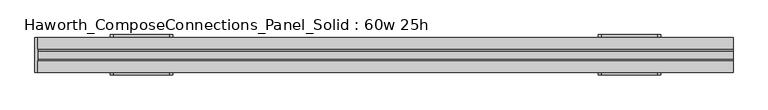
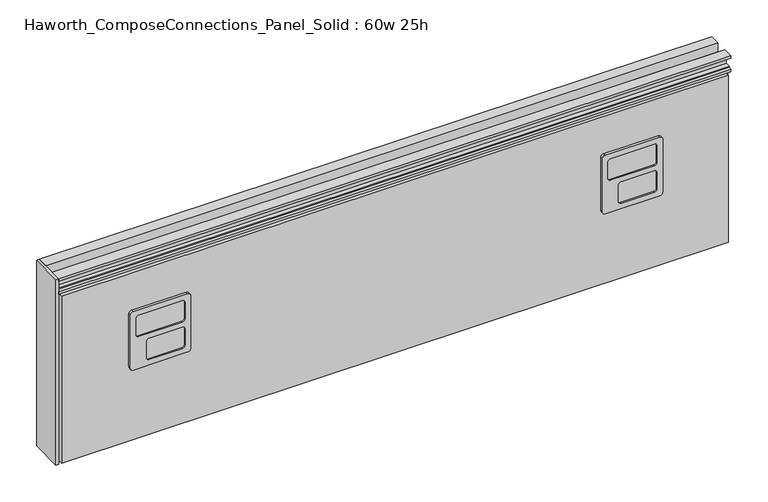
"""IFC4 building model written with IfcOpenShell, lengths in millimetres: furniture geometry, Haworth_ComposeConnections_Panel_Solid : 60w 25h."""

from ifc_helpers import new_model, si_unit, frame, origin, place, context, project, spatial, polyline, circle_curve, outline, extrude, source, transform, mapped, element, save
from ifc_brep_helpers import plane_surface, cylinder_surface, revolved_surface, advanced_brep


def haworth_composeconnections_panel_solid_60w_25h_c1717eb9(model_context):
    return source(origin(), model_context, "Body", "SolidModel", [
        advanced_brep(
        [(-594.4597098, 38.1, 546.1), (-600.8097098, 38.1, 539.75), (-600.8097098, 38.1, 412.75), (-594.4597098, 38.1, 406.4), (-470.6347098, 38.1, 406.4), (-464.2847098, 38.1, 412.75), (-464.2847098, 38.1, 539.75), (-470.6347098, 38.1, 546.1), (-594.4597098, 44.45, 546.1), (-470.6347098, 44.45, 546.1), (-464.2847098, 44.45, 539.75), (-464.2847098, 44.45, 412.75), (-470.6347098, 44.45, 406.4), (-594.4597098, 44.45, 406.4), (-600.8097098, 44.45, 412.75), (-600.8097098, 44.45, 539.75), (-581.7597098, 44.45, 533.4), (-588.1097098, 44.45, 527.05), (-588.1097098, 44.45, 488.95), (-581.7597098, 44.45, 482.6), (-483.3347098, 44.45, 482.6), (-476.9847098, 44.45, 488.95), (-476.9847098, 44.45, 527.05), (-483.3347098, 44.45, 533.4), (-581.7597098, 44.45, 469.9), (-588.1097098, 44.45, 463.55), (-588.1097098, 44.45, 425.45), (-581.7597098, 44.45, 419.1), (-507.1472098, 44.45, 419.1), (-500.7972098, 44.45, 425.45), (-500.7972098, 44.45, 463.55), (-507.1472098, 44.45, 469.9), (-581.7597098, 41.275, 533.4), (-483.3347098, 41.275, 533.4), (-476.9847098, 41.275, 527.05), (-476.9847098, 41.275, 488.95), (-483.3347098, 41.275, 482.6), (-581.7597098, 41.275, 482.6), (-588.1097098, 41.275, 488.95), (-588.1097098, 41.275, 527.05), (-581.7597098, 41.275, 469.9), (-507.1472098, 41.275, 469.9), (-500.7972098, 41.275, 463.55), (-500.7972098, 41.275, 425.45), (-507.1472098, 41.275, 419.1), (-581.7597098, 41.275, 419.1), (-588.1097098, 41.275, 425.45), (-588.1097098, 41.275, 463.55)],
        [
            (0, 1, circle_curve(frame((-594.4597098, 38.1, 539.75), z_axis=(0.0, -1.0, 0.0), x_axis=(1.0, 0.0, 0.0)), 6.35)),
            (1, 2),
            (2, 3, circle_curve(frame((-594.4597098, 38.1, 412.75), z_axis=(0.0, -1.0, 0.0), x_axis=(1.0, 0.0, 0.0)), 6.35)),
            (3, 4),
            (4, 5, circle_curve(frame((-470.6347098, 38.1, 412.75), z_axis=(0.0, -1.0, 0.0), x_axis=(1.0, 0.0, 0.0)), 6.35)),
            (5, 6),
            (6, 7, circle_curve(frame((-470.6347098, 38.1, 539.75), z_axis=(0.0, -1.0, 0.0), x_axis=(1.0, 0.0, 0.0)), 6.35)),
            (7, 0),
            (8, 9),
            (9, 10, circle_curve(frame((-470.6347098, 44.45, 539.75), z_axis=(0.0, 1.0, 0.0), x_axis=(1.0, 0.0, 0.0)), 6.35)),
            (10, 11),
            (11, 12, circle_curve(frame((-470.6347098, 44.45, 412.75), z_axis=(0.0, 1.0, 0.0), x_axis=(1.0, 0.0, 0.0)), 6.35)),
            (12, 13),
            (13, 14, circle_curve(frame((-594.4597098, 44.45, 412.75), z_axis=(0.0, 1.0, 0.0), x_axis=(1.0, 0.0, 0.0)), 6.35)),
            (14, 15),
            (15, 8, circle_curve(frame((-594.4597098, 44.45, 539.75), z_axis=(0.0, 1.0, 0.0), x_axis=(1.0, 0.0, 0.0)), 6.35)),
            (16, 17, circle_curve(frame((-581.7597098, 44.45, 527.05), z_axis=(0.0, -1.0, 0.0), x_axis=(1.0, 0.0, 0.0)), 6.35)),
            (17, 18),
            (18, 19, circle_curve(frame((-581.7597098, 44.45, 488.95), z_axis=(0.0, -1.0, 0.0), x_axis=(1.0, 0.0, 0.0)), 6.35)),
            (19, 20),
            (20, 21, circle_curve(frame((-483.3347098, 44.45, 488.95), z_axis=(0.0, -1.0, 0.0), x_axis=(1.0, 0.0, 0.0)), 6.35)),
            (21, 22),
            (22, 23, circle_curve(frame((-483.3347098, 44.45, 527.05), z_axis=(0.0, -1.0, 0.0), x_axis=(1.0, 0.0, 0.0)), 6.35)),
            (23, 16),
            (24, 25, circle_curve(frame((-581.7597098, 44.45, 463.55), z_axis=(0.0, -1.0, 0.0), x_axis=(1.0, 0.0, 0.0)), 6.35)),
            (25, 26),
            (26, 27, circle_curve(frame((-581.7597098, 44.45, 425.45), z_axis=(0.0, -1.0, 0.0), x_axis=(1.0, 0.0, 0.0)), 6.35)),
            (27, 28),
            (28, 29, circle_curve(frame((-507.1472098, 44.45, 425.45), z_axis=(0.0, -1.0, 0.0), x_axis=(1.0, 0.0, 0.0)), 6.35)),
            (29, 30),
            (30, 31, circle_curve(frame((-507.1472098, 44.45, 463.55), z_axis=(0.0, -1.0, 0.0), x_axis=(1.0, 0.0, 0.0)), 6.35)),
            (31, 24),
            (0, 8),
            (15, 1),
            (14, 2),
            (13, 3),
            (12, 4),
            (11, 5),
            (10, 6),
            (9, 7),
            (32, 33),
            (33, 34, circle_curve(frame((-483.3347098, 41.275, 527.05), z_axis=(0.0, 1.0, 0.0), x_axis=(1.0, 0.0, 0.0)), 6.35)),
            (34, 35),
            (35, 36, circle_curve(frame((-483.3347098, 41.275, 488.95), z_axis=(0.0, 1.0, 0.0), x_axis=(1.0, 0.0, 0.0)), 6.35)),
            (36, 37),
            (37, 38, circle_curve(frame((-581.7597098, 41.275, 488.95), z_axis=(0.0, 1.0, 0.0), x_axis=(1.0, 0.0, 0.0)), 6.35)),
            (38, 39),
            (39, 32, circle_curve(frame((-581.7597098, 41.275, 527.05), z_axis=(0.0, 1.0, 0.0), x_axis=(1.0, 0.0, 0.0)), 6.35)),
            (40, 41),
            (41, 42, circle_curve(frame((-507.1472098, 41.275, 463.55), z_axis=(0.0, 1.0, 0.0), x_axis=(1.0, 0.0, 0.0)), 6.35)),
            (42, 43),
            (43, 44, circle_curve(frame((-507.1472098, 41.275, 425.45), z_axis=(0.0, 1.0, 0.0), x_axis=(1.0, 0.0, 0.0)), 6.35)),
            (44, 45),
            (45, 46, circle_curve(frame((-581.7597098, 41.275, 425.45), z_axis=(0.0, 1.0, 0.0), x_axis=(1.0, 0.0, 0.0)), 6.35)),
            (46, 47),
            (47, 40, circle_curve(frame((-581.7597098, 41.275, 463.55), z_axis=(0.0, 1.0, 0.0), x_axis=(1.0, 0.0, 0.0)), 6.35)),
            (39, 17),
            (16, 32),
            (38, 18),
            (37, 19),
            (36, 20),
            (35, 21),
            (34, 22),
            (33, 23),
            (47, 25),
            (24, 40),
            (46, 26),
            (45, 27),
            (44, 28),
            (43, 29),
            (42, 30),
            (41, 31),
        ],
        [
            plane_surface(frame((-588.1097098, 38.1, 539.75), z_axis=(0.0, -1.0, 0.0), x_axis=(0.0, 0.0, 1.0))),
            plane_surface(frame((-588.1097098, 44.45, 539.75), z_axis=(0.0, 1.0, 0.0), x_axis=(0.0, 0.0, -1.0))),
            cylinder_surface(frame((-594.4597098, 44.45, 539.75), z_axis=(0.0, -1.0, 0.0), x_axis=(1.0, 0.0, 0.0)), 6.35),
            plane_surface(frame((-600.8097098, 38.1, 539.75), z_axis=(-1.0, 0.0, 0.0), x_axis=(0.0, 1.0, 0.0))),
            cylinder_surface(frame((-594.4597098, 44.45, 412.75), z_axis=(0.0, -1.0, 0.0), x_axis=(1.0, 0.0, 0.0)), 6.35),
            plane_surface(frame((-594.4597098, 38.1, 406.4), z_axis=(0.0, 0.0, -1.0), x_axis=(0.0, 1.0, 0.0))),
            cylinder_surface(frame((-470.6347098, 44.45, 412.75), z_axis=(0.0, -1.0, 0.0), x_axis=(1.0, 0.0, 0.0)), 6.35),
            plane_surface(frame((-464.2847098, 38.1, 412.75), z_axis=(1.0, 0.0, 0.0), x_axis=(0.0, 1.0, 0.0))),
            cylinder_surface(frame((-470.6347098, 44.45, 539.75), z_axis=(0.0, -1.0, 0.0), x_axis=(1.0, 0.0, 0.0)), 6.35),
            plane_surface(frame((-470.6347098, 38.1, 546.1), z_axis=(0.0, 0.0, 1.0), x_axis=(0.0, 1.0, 0.0))),
            plane_surface(frame((-575.4097098, 41.275, 527.05), z_axis=(0.0, 1.0, 0.0), x_axis=(0.0, 0.0, 1.0))),
            revolved_surface(polyline([(-575.4097098, 41.275, 527.05), (-575.4097098, 44.45, 527.05)]), (-581.7597098, 44.45, 527.05), (0.0, -1.0, 0.0)),
            plane_surface(frame((-588.1097098, 41.275, 527.05), z_axis=(1.0, 0.0, 0.0), x_axis=(0.0, 1.0, 0.0))),
            revolved_surface(polyline([(-575.4097098, 41.275, 488.95), (-575.4097098, 44.45, 488.95)]), (-581.7597098, 44.45, 488.95), (0.0, -1.0, 0.0)),
            plane_surface(frame((-581.7597098, 41.275, 482.6), z_axis=(0.0, 0.0, 1.0), x_axis=(0.0, 1.0, 0.0))),
            revolved_surface(polyline([(-476.98470979999996, 41.275, 488.95), (-476.98470979999996, 44.45, 488.95)]), (-483.3347098, 44.45, 488.95), (0.0, -1.0, 0.0)),
            plane_surface(frame((-476.9847098, 41.275, 488.95), z_axis=(-1.0, 0.0, 0.0), x_axis=(0.0, 1.0, 0.0))),
            revolved_surface(polyline([(-476.98470979999996, 41.275, 527.05), (-476.98470979999996, 44.45, 527.05)]), (-483.3347098, 44.45, 527.05), (0.0, -1.0, 0.0)),
            plane_surface(frame((-483.3347098, 41.275, 533.4), z_axis=(0.0, 0.0, -1.0), x_axis=(0.0, 1.0, 0.0))),
            revolved_surface(polyline([(-575.4097098, 41.275, 463.55), (-575.4097098, 44.45, 463.55)]), (-581.7597098, 44.45, 463.55), (0.0, -1.0, 0.0)),
            plane_surface(frame((-588.1097098, 41.275, 463.55), z_axis=(1.0, 0.0, 0.0), x_axis=(0.0, 1.0, 0.0))),
            revolved_surface(polyline([(-575.4097098, 41.275, 425.45), (-575.4097098, 44.45, 425.45)]), (-581.7597098, 44.45, 425.45), (0.0, -1.0, 0.0)),
            plane_surface(frame((-581.7597098, 41.275, 419.1), z_axis=(0.0, 0.0, 1.0), x_axis=(0.0, 1.0, 0.0))),
            revolved_surface(polyline([(-500.79720979999996, 41.275, 425.45), (-500.79720979999996, 44.45, 425.45)]), (-507.1472098, 44.45, 425.45), (0.0, -1.0, 0.0)),
            plane_surface(frame((-500.7972098, 41.275, 425.45), z_axis=(-1.0, 0.0, 0.0), x_axis=(0.0, 1.0, 0.0))),
            revolved_surface(polyline([(-500.79720979999996, 41.275, 463.55), (-500.79720979999996, 44.45, 463.55)]), (-507.1472098, 44.45, 463.55), (0.0, -1.0, 0.0)),
            plane_surface(frame((-507.1472098, 41.275, 469.9), z_axis=(0.0, 0.0, -1.0), x_axis=(0.0, 1.0, 0.0))),
        ],
        [
            (0, [[1, 2, 3, 4, 5, 6, 7, 8]]),
            (1, [[9, 10, 11, 12, 13, 14, 15, 16], [17, 18, 19, 20, 21, 22, 23, 24], [25, 26, 27, 28, 29, 30, 31, 32]]),
            (2, [[-1, 33, -16, 34]]),
            (3, [[-2, -34, -15, 35]]),
            (4, [[-3, -35, -14, 36]]),
            (5, [[-4, -36, -13, 37]]),
            (6, [[-5, -37, -12, 38]]),
            (7, [[-6, -38, -11, 39]]),
            (8, [[-7, -39, -10, 40]]),
            (9, [[-8, -40, -9, -33]]),
            (10, [[41, 42, 43, 44, 45, 46, 47, 48]]),
            (10, [[49, 50, 51, 52, 53, 54, 55, 56]]),
            (11, [[-48, 57, -17, 58]]),
            (12, [[-47, 59, -18, -57]]),
            (13, [[-46, 60, -19, -59]]),
            (14, [[-45, 61, -20, -60]]),
            (15, [[-44, 62, -21, -61]]),
            (16, [[-43, 63, -22, -62]]),
            (17, [[-42, 64, -23, -63]]),
            (18, [[-41, -58, -24, -64]]),
            (19, [[-56, 65, -25, 66]]),
            (20, [[-55, 67, -26, -65]]),
            (21, [[-54, 68, -27, -67]]),
            (22, [[-53, 69, -28, -68]]),
            (23, [[-52, 70, -29, -69]]),
            (24, [[-51, 71, -30, -70]]),
            (25, [[-50, 72, -31, -71]]),
            (26, [[-49, -66, -32, -72]]),
        ],
    ),
        advanced_brep(
        [(475.5152902, 38.1, 546.1), (469.1652902, 38.1, 539.75), (469.1652902, 38.1, 412.75), (475.5152902, 38.1, 406.4), (599.3402902, 38.1, 406.4), (605.6902902, 38.1, 412.75), (605.6902902, 38.1, 539.75), (599.3402902, 38.1, 546.1), (475.5152902, 44.45, 546.1), (599.3402902, 44.45, 546.1), (605.6902902, 44.45, 539.75), (605.6902902, 44.45, 412.75), (599.3402902, 44.45, 406.4), (475.5152902, 44.45, 406.4), (469.1652902, 44.45, 412.75), (469.1652902, 44.45, 539.75), (488.2152902, 44.45, 533.4), (481.8652902, 44.45, 527.05), (481.8652902, 44.45, 488.95), (488.2152902, 44.45, 482.6), (586.6402902, 44.45, 482.6), (592.9902902, 44.45, 488.95), (592.9902902, 44.45, 527.05), (586.6402902, 44.45, 533.4), (488.2152902, 44.45, 469.9), (481.8652902, 44.45, 463.55), (481.8652902, 44.45, 425.45), (488.2152902, 44.45, 419.1), (562.8277902, 44.45, 419.1), (569.1777902, 44.45, 425.45), (569.1777902, 44.45, 463.55), (562.8277902, 44.45, 469.9), (488.2152902, 41.275, 533.4), (586.6402902, 41.275, 533.4), (592.9902902, 41.275, 527.05), (592.9902902, 41.275, 488.95), (586.6402902, 41.275, 482.6), (488.2152902, 41.275, 482.6), (481.8652902, 41.275, 488.95), (481.8652902, 41.275, 527.05), (488.2152902, 41.275, 469.9), (562.8277902, 41.275, 469.9), (569.1777902, 41.275, 463.55), (569.1777902, 41.275, 425.45), (562.8277902, 41.275, 419.1), (488.2152902, 41.275, 419.1), (481.8652902, 41.275, 425.45), (481.8652902, 41.275, 463.55)],
        [
            (0, 1, circle_curve(frame((475.5152902, 38.1, 539.75), z_axis=(0.0, -1.0, 0.0), x_axis=(1.0, 0.0, 0.0)), 6.35)),
            (1, 2),
            (2, 3, circle_curve(frame((475.5152902, 38.1, 412.75), z_axis=(0.0, -1.0, 0.0), x_axis=(1.0, 0.0, 0.0)), 6.35)),
            (3, 4),
            (4, 5, circle_curve(frame((599.3402902, 38.1, 412.75), z_axis=(0.0, -1.0, 0.0), x_axis=(1.0, 0.0, 0.0)), 6.35)),
            (5, 6),
            (6, 7, circle_curve(frame((599.3402902, 38.1, 539.75), z_axis=(0.0, -1.0, 0.0), x_axis=(1.0, 0.0, 0.0)), 6.35)),
            (7, 0),
            (8, 9),
            (9, 10, circle_curve(frame((599.3402902, 44.45, 539.75), z_axis=(0.0, 1.0, 0.0), x_axis=(1.0, 0.0, 0.0)), 6.35)),
            (10, 11),
            (11, 12, circle_curve(frame((599.3402902, 44.45, 412.75), z_axis=(0.0, 1.0, 0.0), x_axis=(1.0, 0.0, 0.0)), 6.35)),
            (12, 13),
            (13, 14, circle_curve(frame((475.5152902, 44.45, 412.75), z_axis=(0.0, 1.0, 0.0), x_axis=(1.0, 0.0, 0.0)), 6.35)),
            (14, 15),
            (15, 8, circle_curve(frame((475.5152902, 44.45, 539.75), z_axis=(0.0, 1.0, 0.0), x_axis=(1.0, 0.0, 0.0)), 6.35)),
            (16, 17, circle_curve(frame((488.2152902, 44.45, 527.05), z_axis=(0.0, -1.0, 0.0), x_axis=(1.0, 0.0, 0.0)), 6.35)),
            (17, 18),
            (18, 19, circle_curve(frame((488.2152902, 44.45, 488.95), z_axis=(0.0, -1.0, 0.0), x_axis=(1.0, 0.0, 0.0)), 6.35)),
            (19, 20),
            (20, 21, circle_curve(frame((586.6402902, 44.45, 488.95), z_axis=(0.0, -1.0, 0.0), x_axis=(1.0, 0.0, 0.0)), 6.35)),
            (21, 22),
            (22, 23, circle_curve(frame((586.6402902, 44.45, 527.05), z_axis=(0.0, -1.0, 0.0), x_axis=(1.0, 0.0, 0.0)), 6.35)),
            (23, 16),
            (24, 25, circle_curve(frame((488.2152902, 44.45, 463.55), z_axis=(0.0, -1.0, 0.0), x_axis=(1.0, 0.0, 0.0)), 6.35)),
            (25, 26),
            (26, 27, circle_curve(frame((488.2152902, 44.45, 425.45), z_axis=(0.0, -1.0, 0.0), x_axis=(1.0, 0.0, 0.0)), 6.35)),
            (27, 28),
            (28, 29, circle_curve(frame((562.8277902, 44.45, 425.45), z_axis=(0.0, -1.0, 0.0), x_axis=(1.0, 0.0, 0.0)), 6.35)),
            (29, 30),
            (30, 31, circle_curve(frame((562.8277902, 44.45, 463.55), z_axis=(0.0, -1.0, 0.0), x_axis=(1.0, 0.0, 0.0)), 6.35)),
            (31, 24),
            (0, 8),
            (15, 1),
            (14, 2),
            (13, 3),
            (12, 4),
            (11, 5),
            (10, 6),
            (9, 7),
            (32, 33),
            (33, 34, circle_curve(frame((586.6402902, 41.275, 527.05), z_axis=(0.0, 1.0, 0.0), x_axis=(1.0, 0.0, 0.0)), 6.35)),
            (34, 35),
            (35, 36, circle_curve(frame((586.6402902, 41.275, 488.95), z_axis=(0.0, 1.0, 0.0), x_axis=(1.0, 0.0, 0.0)), 6.35)),
            (36, 37),
            (37, 38, circle_curve(frame((488.2152902, 41.275, 488.95), z_axis=(0.0, 1.0, 0.0), x_axis=(1.0, 0.0, 0.0)), 6.35)),
            (38, 39),
            (39, 32, circle_curve(frame((488.2152902, 41.275, 527.05), z_axis=(0.0, 1.0, 0.0), x_axis=(1.0, 0.0, 0.0)), 6.35)),
            (40, 41),
            (41, 42, circle_curve(frame((562.8277902, 41.275, 463.55), z_axis=(0.0, 1.0, 0.0), x_axis=(1.0, 0.0, 0.0)), 6.35)),
            (42, 43),
            (43, 44, circle_curve(frame((562.8277902, 41.275, 425.45), z_axis=(0.0, 1.0, 0.0), x_axis=(1.0, 0.0, 0.0)), 6.35)),
            (44, 45),
            (45, 46, circle_curve(frame((488.2152902, 41.275, 425.45), z_axis=(0.0, 1.0, 0.0), x_axis=(1.0, 0.0, 0.0)), 6.35)),
            (46, 47),
            (47, 40, circle_curve(frame((488.2152902, 41.275, 463.55), z_axis=(0.0, 1.0, 0.0), x_axis=(1.0, 0.0, 0.0)), 6.35)),
            (39, 17),
            (16, 32),
            (38, 18),
            (37, 19),
            (36, 20),
            (35, 21),
            (34, 22),
            (33, 23),
            (47, 25),
            (24, 40),
            (46, 26),
            (45, 27),
            (44, 28),
            (43, 29),
            (42, 30),
            (41, 31),
        ],
        [
            plane_surface(frame((481.8652902, 38.1, 539.75), z_axis=(0.0, -1.0, 0.0), x_axis=(0.0, 0.0, 1.0))),
            plane_surface(frame((481.8652902, 44.45, 539.75), z_axis=(0.0, 1.0, 0.0), x_axis=(0.0, 0.0, -1.0))),
            cylinder_surface(frame((475.5152902, 44.45, 539.75), z_axis=(0.0, -1.0, 0.0), x_axis=(1.0, 0.0, 0.0)), 6.35),
            plane_surface(frame((469.1652902, 38.1, 539.75), z_axis=(-1.0, 0.0, 0.0), x_axis=(0.0, 1.0, 0.0))),
            cylinder_surface(frame((475.5152902, 44.45, 412.75), z_axis=(0.0, -1.0, 0.0), x_axis=(1.0, 0.0, 0.0)), 6.35),
            plane_surface(frame((475.5152902, 38.1, 406.4), z_axis=(0.0, 0.0, -1.0), x_axis=(0.0, 1.0, 0.0))),
            cylinder_surface(frame((599.3402902, 44.45, 412.75), z_axis=(0.0, -1.0, 0.0), x_axis=(1.0, 0.0, 0.0)), 6.35),
            plane_surface(frame((605.6902902, 38.1, 412.75), z_axis=(1.0, 0.0, 0.0), x_axis=(0.0, 1.0, 0.0))),
            cylinder_surface(frame((599.3402902, 44.45, 539.75), z_axis=(0.0, -1.0, 0.0), x_axis=(1.0, 0.0, 0.0)), 6.35),
            plane_surface(frame((599.3402902, 38.1, 546.1), z_axis=(0.0, 0.0, 1.0), x_axis=(0.0, 1.0, 0.0))),
            plane_surface(frame((494.5652902, 41.275, 527.05), z_axis=(0.0, 1.0, 0.0), x_axis=(0.0, 0.0, 1.0))),
            revolved_surface(polyline([(494.56529020000005, 41.275, 527.05), (494.56529020000005, 44.45, 527.05)]), (488.2152902, 44.45, 527.05), (0.0, -1.0, 0.0)),
            plane_surface(frame((481.8652902, 41.275, 527.05), z_axis=(1.0, 0.0, 0.0), x_axis=(0.0, 1.0, 0.0))),
            revolved_surface(polyline([(494.56529020000005, 41.275, 488.95), (494.56529020000005, 44.45, 488.95)]), (488.2152902, 44.45, 488.95), (0.0, -1.0, 0.0)),
            plane_surface(frame((488.2152902, 41.275, 482.6), z_axis=(0.0, 0.0, 1.0), x_axis=(0.0, 1.0, 0.0))),
            revolved_surface(polyline([(592.9902902, 41.275, 488.95), (592.9902902, 44.45, 488.95)]), (586.6402902, 44.45, 488.95), (0.0, -1.0, 0.0)),
            plane_surface(frame((592.9902902, 41.275, 488.95), z_axis=(-1.0, 0.0, 0.0), x_axis=(0.0, 1.0, 0.0))),
            revolved_surface(polyline([(592.9902902, 41.275, 527.05), (592.9902902, 44.45, 527.05)]), (586.6402902, 44.45, 527.05), (0.0, -1.0, 0.0)),
            plane_surface(frame((586.6402902, 41.275, 533.4), z_axis=(0.0, 0.0, -1.0), x_axis=(0.0, 1.0, 0.0))),
            revolved_surface(polyline([(494.56529020000005, 41.275, 463.55), (494.56529020000005, 44.45, 463.55)]), (488.2152902, 44.45, 463.55), (0.0, -1.0, 0.0)),
            plane_surface(frame((481.8652902, 41.275, 463.55), z_axis=(1.0, 0.0, 0.0), x_axis=(0.0, 1.0, 0.0))),
            revolved_surface(polyline([(494.56529020000005, 41.275, 425.45), (494.56529020000005, 44.45, 425.45)]), (488.2152902, 44.45, 425.45), (0.0, -1.0, 0.0)),
            plane_surface(frame((488.2152902, 41.275, 419.1), z_axis=(0.0, 0.0, 1.0), x_axis=(0.0, 1.0, 0.0))),
            revolved_surface(polyline([(569.1777902, 41.275, 425.45), (569.1777902, 44.45, 425.45)]), (562.8277902, 44.45, 425.45), (0.0, -1.0, 0.0)),
            plane_surface(frame((569.1777902, 41.275, 425.45), z_axis=(-1.0, 0.0, 0.0), x_axis=(0.0, 1.0, 0.0))),
            revolved_surface(polyline([(569.1777902, 41.275, 463.55), (569.1777902, 44.45, 463.55)]), (562.8277902, 44.45, 463.55), (0.0, -1.0, 0.0)),
            plane_surface(frame((562.8277902, 41.275, 469.9), z_axis=(0.0, 0.0, -1.0), x_axis=(0.0, 1.0, 0.0))),
        ],
        [
            (0, [[1, 2, 3, 4, 5, 6, 7, 8]]),
            (1, [[9, 10, 11, 12, 13, 14, 15, 16], [17, 18, 19, 20, 21, 22, 23, 24], [25, 26, 27, 28, 29, 30, 31, 32]]),
            (2, [[-1, 33, -16, 34]]),
            (3, [[-2, -34, -15, 35]]),
            (4, [[-3, -35, -14, 36]]),
            (5, [[-4, -36, -13, 37]]),
            (6, [[-5, -37, -12, 38]]),
            (7, [[-6, -38, -11, 39]]),
            (8, [[-7, -39, -10, 40]]),
            (9, [[-8, -40, -9, -33]]),
            (10, [[41, 42, 43, 44, 45, 46, 47, 48]]),
            (10, [[49, 50, 51, 52, 53, 54, 55, 56]]),
            (11, [[-48, 57, -17, 58]]),
            (12, [[-47, 59, -18, -57]]),
            (13, [[-46, 60, -19, -59]]),
            (14, [[-45, 61, -20, -60]]),
            (15, [[-44, 62, -21, -61]]),
            (16, [[-43, 63, -22, -62]]),
            (17, [[-42, 64, -23, -63]]),
            (18, [[-41, -58, -24, -64]]),
            (19, [[-56, 65, -25, 66]]),
            (20, [[-55, 67, -26, -65]]),
            (21, [[-54, 68, -27, -67]]),
            (22, [[-53, 69, -28, -68]]),
            (23, [[-52, 70, -29, -69]]),
            (24, [[-51, 71, -30, -70]]),
            (25, [[-50, 72, -31, -71]]),
            (26, [[-49, -66, -32, -72]]),
        ],
    ),
        advanced_brep(
        [(-470.6347098, -38.1, 546.1), (-464.2847098, -38.1, 539.75), (-464.2847098, -38.1, 412.75), (-470.6347098, -38.1, 406.4), (-594.4597098, -38.1, 406.4), (-600.8097098, -38.1, 412.75), (-600.8097098, -38.1, 539.75), (-594.4597098, -38.1, 546.1), (-470.6347098, -44.45, 546.1), (-594.4597098, -44.45, 546.1), (-600.8097098, -44.45, 539.75), (-600.8097098, -44.45, 412.75), (-594.4597098, -44.45, 406.4), (-470.6347098, -44.45, 406.4), (-464.2847098, -44.45, 412.75), (-464.2847098, -44.45, 539.75), (-483.3347098, -44.45, 533.4), (-476.9847098, -44.45, 527.05), (-476.9847098, -44.45, 488.95), (-483.3347098, -44.45, 482.6), (-581.7597098, -44.45, 482.6), (-588.1097098, -44.45, 488.95), (-588.1097098, -44.45, 527.05), (-581.7597098, -44.45, 533.4), (-483.3347098, -44.45, 469.9), (-476.9847098, -44.45, 463.55), (-476.9847098, -44.45, 425.45), (-483.3347098, -44.45, 419.1), (-557.9472098, -44.45, 419.1), (-564.2972098, -44.45, 425.45), (-564.2972098, -44.45, 463.55), (-557.9472098, -44.45, 469.9), (-483.3347098, -41.275, 533.4), (-581.7597098, -41.275, 533.4), (-588.1097098, -41.275, 527.05), (-588.1097098, -41.275, 488.95), (-581.7597098, -41.275, 482.6), (-483.3347098, -41.275, 482.6), (-476.9847098, -41.275, 488.95), (-476.9847098, -41.275, 527.05), (-483.3347098, -41.275, 469.9), (-557.9472098, -41.275, 469.9), (-564.2972098, -41.275, 463.55), (-564.2972098, -41.275, 425.45), (-557.9472098, -41.275, 419.1), (-483.3347098, -41.275, 419.1), (-476.9847098, -41.275, 425.45), (-476.9847098, -41.275, 463.55)],
        [
            (0, 1, circle_curve(frame((-470.6347098, -38.1, 539.75), z_axis=(0.0, 1.0, 0.0), x_axis=(-1.0, 0.0, 0.0)), 6.35)),
            (1, 2),
            (2, 3, circle_curve(frame((-470.6347098, -38.1, 412.75), z_axis=(0.0, 1.0, 0.0), x_axis=(-1.0, 0.0, 0.0)), 6.35)),
            (3, 4),
            (4, 5, circle_curve(frame((-594.4597098, -38.1, 412.75), z_axis=(0.0, 1.0, 0.0), x_axis=(-1.0, 0.0, 0.0)), 6.35)),
            (5, 6),
            (6, 7, circle_curve(frame((-594.4597098, -38.1, 539.75), z_axis=(0.0, 1.0, 0.0), x_axis=(-1.0, 0.0, 0.0)), 6.35)),
            (7, 0),
            (8, 9),
            (9, 10, circle_curve(frame((-594.4597098, -44.45, 539.75), z_axis=(0.0, -1.0, 0.0), x_axis=(-1.0, 0.0, 0.0)), 6.35)),
            (10, 11),
            (11, 12, circle_curve(frame((-594.4597098, -44.45, 412.75), z_axis=(0.0, -1.0, 0.0), x_axis=(-1.0, 0.0, 0.0)), 6.35)),
            (12, 13),
            (13, 14, circle_curve(frame((-470.6347098, -44.45, 412.75), z_axis=(0.0, -1.0, 0.0), x_axis=(-1.0, 0.0, 0.0)), 6.35)),
            (14, 15),
            (15, 8, circle_curve(frame((-470.6347098, -44.45, 539.75), z_axis=(0.0, -1.0, 0.0), x_axis=(-1.0, 0.0, 0.0)), 6.35)),
            (16, 17, circle_curve(frame((-483.3347098, -44.45, 527.05), z_axis=(0.0, 1.0, 0.0), x_axis=(-1.0, 0.0, 0.0)), 6.35)),
            (17, 18),
            (18, 19, circle_curve(frame((-483.3347098, -44.45, 488.95), z_axis=(0.0, 1.0, 0.0), x_axis=(-1.0, 0.0, 0.0)), 6.35)),
            (19, 20),
            (20, 21, circle_curve(frame((-581.7597098, -44.45, 488.95), z_axis=(0.0, 1.0, 0.0), x_axis=(-1.0, 0.0, 0.0)), 6.35)),
            (21, 22),
            (22, 23, circle_curve(frame((-581.7597098, -44.45, 527.05), z_axis=(0.0, 1.0, 0.0), x_axis=(-1.0, 0.0, 0.0)), 6.35)),
            (23, 16),
            (24, 25, circle_curve(frame((-483.3347098, -44.45, 463.55), z_axis=(0.0, 1.0, 0.0), x_axis=(-1.0, 0.0, 0.0)), 6.35)),
            (25, 26),
            (26, 27, circle_curve(frame((-483.3347098, -44.45, 425.45), z_axis=(0.0, 1.0, 0.0), x_axis=(-1.0, 0.0, 0.0)), 6.35)),
            (27, 28),
            (28, 29, circle_curve(frame((-557.9472098, -44.45, 425.45), z_axis=(0.0, 1.0, 0.0), x_axis=(-1.0, 0.0, 0.0)), 6.35)),
            (29, 30),
            (30, 31, circle_curve(frame((-557.9472098, -44.45, 463.55), z_axis=(0.0, 1.0, 0.0), x_axis=(-1.0, 0.0, 0.0)), 6.35)),
            (31, 24),
            (0, 8),
            (15, 1),
            (14, 2),
            (13, 3),
            (12, 4),
            (11, 5),
            (10, 6),
            (9, 7),
            (32, 33),
            (33, 34, circle_curve(frame((-581.7597098, -41.275, 527.05), z_axis=(0.0, -1.0, 0.0), x_axis=(-1.0, 0.0, 0.0)), 6.35)),
            (34, 35),
            (35, 36, circle_curve(frame((-581.7597098, -41.275, 488.95), z_axis=(0.0, -1.0, 0.0), x_axis=(-1.0, 0.0, 0.0)), 6.35)),
            (36, 37),
            (37, 38, circle_curve(frame((-483.3347098, -41.275, 488.95), z_axis=(0.0, -1.0, 0.0), x_axis=(-1.0, 0.0, 0.0)), 6.35)),
            (38, 39),
            (39, 32, circle_curve(frame((-483.3347098, -41.275, 527.05), z_axis=(0.0, -1.0, 0.0), x_axis=(-1.0, 0.0, 0.0)), 6.35)),
            (40, 41),
            (41, 42, circle_curve(frame((-557.9472098, -41.275, 463.55), z_axis=(0.0, -1.0, 0.0), x_axis=(-1.0, 0.0, 0.0)), 6.35)),
            (42, 43),
            (43, 44, circle_curve(frame((-557.9472098, -41.275, 425.45), z_axis=(0.0, -1.0, 0.0), x_axis=(-1.0, 0.0, 0.0)), 6.35)),
            (44, 45),
            (45, 46, circle_curve(frame((-483.3347098, -41.275, 425.45), z_axis=(0.0, -1.0, 0.0), x_axis=(-1.0, 0.0, 0.0)), 6.35)),
            (46, 47),
            (47, 40, circle_curve(frame((-483.3347098, -41.275, 463.55), z_axis=(0.0, -1.0, 0.0), x_axis=(-1.0, 0.0, 0.0)), 6.35)),
            (39, 17),
            (16, 32),
            (38, 18),
            (37, 19),
            (36, 20),
            (35, 21),
            (34, 22),
            (33, 23),
            (47, 25),
            (24, 40),
            (46, 26),
            (45, 27),
            (44, 28),
            (43, 29),
            (42, 30),
            (41, 31),
        ],
        [
            plane_surface(frame((-476.9847098, -38.1, 539.75), z_axis=(0.0, 1.0, 0.0), x_axis=(0.0, 0.0, 1.0))),
            plane_surface(frame((-476.9847098, -44.45, 539.75), z_axis=(0.0, -1.0, 0.0), x_axis=(0.0, 0.0, -1.0))),
            cylinder_surface(frame((-470.6347098, -44.45, 539.75), z_axis=(0.0, 1.0, 0.0), x_axis=(-1.0, 0.0, 0.0)), 6.35),
            plane_surface(frame((-464.2847098, -38.1, 539.75), z_axis=(1.0, 0.0, 0.0), x_axis=(0.0, -1.0, 0.0))),
            cylinder_surface(frame((-470.6347098, -44.45, 412.75), z_axis=(0.0, 1.0, 0.0), x_axis=(-1.0, 0.0, 0.0)), 6.35),
            plane_surface(frame((-470.6347098, -38.1, 406.4), z_axis=(0.0, 0.0, -1.0), x_axis=(0.0, -1.0, 0.0))),
            cylinder_surface(frame((-594.4597098, -44.45, 412.75), z_axis=(0.0, 1.0, 0.0), x_axis=(-1.0, 0.0, 0.0)), 6.35),
            plane_surface(frame((-600.8097098, -38.1, 412.75), z_axis=(-1.0, 0.0, 0.0), x_axis=(0.0, -1.0, 0.0))),
            cylinder_surface(frame((-594.4597098, -44.45, 539.75), z_axis=(0.0, 1.0, 0.0), x_axis=(-1.0, 0.0, 0.0)), 6.35),
            plane_surface(frame((-594.4597098, -38.1, 546.1), z_axis=(0.0, 0.0, 1.0), x_axis=(0.0, -1.0, 0.0))),
            plane_surface(frame((-489.6847098, -41.275, 527.05), z_axis=(0.0, -1.0, 0.0), x_axis=(0.0, 0.0, 1.0))),
            revolved_surface(polyline([(-489.6847098, -41.275, 527.05), (-489.6847098, -44.45, 527.05)]), (-483.3347098, -44.45, 527.05), (0.0, 1.0, 0.0)),
            plane_surface(frame((-476.9847098, -41.275, 527.05), z_axis=(-1.0, 0.0, 0.0), x_axis=(0.0, -1.0, 0.0))),
            revolved_surface(polyline([(-489.6847098, -41.275, 488.95), (-489.6847098, -44.45, 488.95)]), (-483.3347098, -44.45, 488.95), (0.0, 1.0, 0.0)),
            plane_surface(frame((-483.3347098, -41.275, 482.6), z_axis=(0.0, 0.0, 1.0), x_axis=(0.0, -1.0, 0.0))),
            revolved_surface(polyline([(-588.1097098, -41.275, 488.95), (-588.1097098, -44.45, 488.95)]), (-581.7597098, -44.45, 488.95), (0.0, 1.0, 0.0)),
            plane_surface(frame((-588.1097098, -41.275, 488.95), z_axis=(1.0, 0.0, 0.0), x_axis=(0.0, -1.0, 0.0))),
            revolved_surface(polyline([(-588.1097098, -41.275, 527.05), (-588.1097098, -44.45, 527.05)]), (-581.7597098, -44.45, 527.05), (0.0, 1.0, 0.0)),
            plane_surface(frame((-581.7597098, -41.275, 533.4), z_axis=(0.0, 0.0, -1.0), x_axis=(0.0, -1.0, 0.0))),
            revolved_surface(polyline([(-489.6847098, -41.275, 463.55), (-489.6847098, -44.45, 463.55)]), (-483.3347098, -44.45, 463.55), (0.0, 1.0, 0.0)),
            plane_surface(frame((-476.9847098, -41.275, 463.55), z_axis=(-1.0, 0.0, 0.0), x_axis=(0.0, -1.0, 0.0))),
            revolved_surface(polyline([(-489.6847098, -41.275, 425.45), (-489.6847098, -44.45, 425.45)]), (-483.3347098, -44.45, 425.45), (0.0, 1.0, 0.0)),
            plane_surface(frame((-483.3347098, -41.275, 419.1), z_axis=(0.0, 0.0, 1.0), x_axis=(0.0, -1.0, 0.0))),
            revolved_surface(polyline([(-564.2972098, -41.275, 425.45), (-564.2972098, -44.45, 425.45)]), (-557.9472098, -44.45, 425.45), (0.0, 1.0, 0.0)),
            plane_surface(frame((-564.2972098, -41.275, 425.45), z_axis=(1.0, 0.0, 0.0), x_axis=(0.0, -1.0, 0.0))),
            revolved_surface(polyline([(-564.2972098, -41.275, 463.55), (-564.2972098, -44.45, 463.55)]), (-557.9472098, -44.45, 463.55), (0.0, 1.0, 0.0)),
            plane_surface(frame((-557.9472098, -41.275, 469.9), z_axis=(0.0, 0.0, -1.0), x_axis=(0.0, -1.0, 0.0))),
        ],
        [
            (0, [[1, 2, 3, 4, 5, 6, 7, 8]]),
            (1, [[9, 10, 11, 12, 13, 14, 15, 16], [17, 18, 19, 20, 21, 22, 23, 24], [25, 26, 27, 28, 29, 30, 31, 32]]),
            (2, [[-1, 33, -16, 34]]),
            (3, [[-2, -34, -15, 35]]),
            (4, [[-3, -35, -14, 36]]),
            (5, [[-4, -36, -13, 37]]),
            (6, [[-5, -37, -12, 38]]),
            (7, [[-6, -38, -11, 39]]),
            (8, [[-7, -39, -10, 40]]),
            (9, [[-8, -40, -9, -33]]),
            (10, [[41, 42, 43, 44, 45, 46, 47, 48]]),
            (10, [[49, 50, 51, 52, 53, 54, 55, 56]]),
            (11, [[-48, 57, -17, 58]]),
            (12, [[-47, 59, -18, -57]]),
            (13, [[-46, 60, -19, -59]]),
            (14, [[-45, 61, -20, -60]]),
            (15, [[-44, 62, -21, -61]]),
            (16, [[-43, 63, -22, -62]]),
            (17, [[-42, 64, -23, -63]]),
            (18, [[-41, -58, -24, -64]]),
            (19, [[-56, 65, -25, 66]]),
            (20, [[-55, 67, -26, -65]]),
            (21, [[-54, 68, -27, -67]]),
            (22, [[-53, 69, -28, -68]]),
            (23, [[-52, 70, -29, -69]]),
            (24, [[-51, 71, -30, -70]]),
            (25, [[-50, 72, -31, -71]]),
            (26, [[-49, -66, -32, -72]]),
        ],
    ),
        advanced_brep(
        [(599.3402902, -38.1, 546.1), (605.6902902, -38.1, 539.75), (605.6902902, -38.1, 412.75), (599.3402902, -38.1, 406.4), (475.5152902, -38.1, 406.4), (469.1652902, -38.1, 412.75), (469.1652902, -38.1, 539.75), (475.5152902, -38.1, 546.1), (599.3402902, -44.45, 546.1), (475.5152902, -44.45, 546.1), (469.1652902, -44.45, 539.75), (469.1652902, -44.45, 412.75), (475.5152902, -44.45, 406.4), (599.3402902, -44.45, 406.4), (605.6902902, -44.45, 412.75), (605.6902902, -44.45, 539.75), (586.6402902, -44.45, 533.4), (592.9902902, -44.45, 527.05), (592.9902902, -44.45, 488.95), (586.6402902, -44.45, 482.6), (488.2152902, -44.45, 482.6), (481.8652902, -44.45, 488.95), (481.8652902, -44.45, 527.05), (488.2152902, -44.45, 533.4), (586.6402902, -44.45, 469.9), (592.9902902, -44.45, 463.55), (592.9902902, -44.45, 425.45), (586.6402902, -44.45, 419.1), (512.0277902, -44.45, 419.1), (505.6777902, -44.45, 425.45), (505.6777902, -44.45, 463.55), (512.0277902, -44.45, 469.9), (586.6402902, -41.275, 533.4), (488.2152902, -41.275, 533.4), (481.8652902, -41.275, 527.05), (481.8652902, -41.275, 488.95), (488.2152902, -41.275, 482.6), (586.6402902, -41.275, 482.6), (592.9902902, -41.275, 488.95), (592.9902902, -41.275, 527.05), (586.6402902, -41.275, 469.9), (512.0277902, -41.275, 469.9), (505.6777902, -41.275, 463.55), (505.6777902, -41.275, 425.45), (512.0277902, -41.275, 419.1), (586.6402902, -41.275, 419.1), (592.9902902, -41.275, 425.45), (592.9902902, -41.275, 463.55)],
        [
            (0, 1, circle_curve(frame((599.3402902, -38.1, 539.75), z_axis=(0.0, 1.0, 0.0), x_axis=(-1.0, 0.0, 0.0)), 6.35)),
            (1, 2),
            (2, 3, circle_curve(frame((599.3402902, -38.1, 412.75), z_axis=(0.0, 1.0, 0.0), x_axis=(-1.0, 0.0, 0.0)), 6.35)),
            (3, 4),
            (4, 5, circle_curve(frame((475.5152902, -38.1, 412.75), z_axis=(0.0, 1.0, 0.0), x_axis=(-1.0, 0.0, 0.0)), 6.35)),
            (5, 6),
            (6, 7, circle_curve(frame((475.5152902, -38.1, 539.75), z_axis=(0.0, 1.0, 0.0), x_axis=(-1.0, 0.0, 0.0)), 6.35)),
            (7, 0),
            (8, 9),
            (9, 10, circle_curve(frame((475.5152902, -44.45, 539.75), z_axis=(0.0, -1.0, 0.0), x_axis=(-1.0, 0.0, 0.0)), 6.35)),
            (10, 11),
            (11, 12, circle_curve(frame((475.5152902, -44.45, 412.75), z_axis=(0.0, -1.0, 0.0), x_axis=(-1.0, 0.0, 0.0)), 6.35)),
            (12, 13),
            (13, 14, circle_curve(frame((599.3402902, -44.45, 412.75), z_axis=(0.0, -1.0, 0.0), x_axis=(-1.0, 0.0, 0.0)), 6.35)),
            (14, 15),
            (15, 8, circle_curve(frame((599.3402902, -44.45, 539.75), z_axis=(0.0, -1.0, 0.0), x_axis=(-1.0, 0.0, 0.0)), 6.35)),
            (16, 17, circle_curve(frame((586.6402902, -44.45, 527.05), z_axis=(0.0, 1.0, 0.0), x_axis=(-1.0, 0.0, 0.0)), 6.35)),
            (17, 18),
            (18, 19, circle_curve(frame((586.6402902, -44.45, 488.95), z_axis=(0.0, 1.0, 0.0), x_axis=(-1.0, 0.0, 0.0)), 6.35)),
            (19, 20),
            (20, 21, circle_curve(frame((488.2152902, -44.45, 488.95), z_axis=(0.0, 1.0, 0.0), x_axis=(-1.0, 0.0, 0.0)), 6.35)),
            (21, 22),
            (22, 23, circle_curve(frame((488.2152902, -44.45, 527.05), z_axis=(0.0, 1.0, 0.0), x_axis=(-1.0, 0.0, 0.0)), 6.35)),
            (23, 16),
            (24, 25, circle_curve(frame((586.6402902, -44.45, 463.55), z_axis=(0.0, 1.0, 0.0), x_axis=(-1.0, 0.0, 0.0)), 6.35)),
            (25, 26),
            (26, 27, circle_curve(frame((586.6402902, -44.45, 425.45), z_axis=(0.0, 1.0, 0.0), x_axis=(-1.0, 0.0, 0.0)), 6.35)),
            (27, 28),
            (28, 29, circle_curve(frame((512.0277902, -44.45, 425.45), z_axis=(0.0, 1.0, 0.0), x_axis=(-1.0, 0.0, 0.0)), 6.35)),
            (29, 30),
            (30, 31, circle_curve(frame((512.0277902, -44.45, 463.55), z_axis=(0.0, 1.0, 0.0), x_axis=(-1.0, 0.0, 0.0)), 6.35)),
            (31, 24),
            (0, 8),
            (15, 1),
            (14, 2),
            (13, 3),
            (12, 4),
            (11, 5),
            (10, 6),
            (9, 7),
            (32, 33),
            (33, 34, circle_curve(frame((488.2152902, -41.275, 527.05), z_axis=(0.0, -1.0, 0.0), x_axis=(-1.0, 0.0, 0.0)), 6.35)),
            (34, 35),
            (35, 36, circle_curve(frame((488.2152902, -41.275, 488.95), z_axis=(0.0, -1.0, 0.0), x_axis=(-1.0, 0.0, 0.0)), 6.35)),
            (36, 37),
            (37, 38, circle_curve(frame((586.6402902, -41.275, 488.95), z_axis=(0.0, -1.0, 0.0), x_axis=(-1.0, 0.0, 0.0)), 6.35)),
            (38, 39),
            (39, 32, circle_curve(frame((586.6402902, -41.275, 527.05), z_axis=(0.0, -1.0, 0.0), x_axis=(-1.0, 0.0, 0.0)), 6.35)),
            (40, 41),
            (41, 42, circle_curve(frame((512.0277902, -41.275, 463.55), z_axis=(0.0, -1.0, 0.0), x_axis=(-1.0, 0.0, 0.0)), 6.35)),
            (42, 43),
            (43, 44, circle_curve(frame((512.0277902, -41.275, 425.45), z_axis=(0.0, -1.0, 0.0), x_axis=(-1.0, 0.0, 0.0)), 6.35)),
            (44, 45),
            (45, 46, circle_curve(frame((586.6402902, -41.275, 425.45), z_axis=(0.0, -1.0, 0.0), x_axis=(-1.0, 0.0, 0.0)), 6.35)),
            (46, 47),
            (47, 40, circle_curve(frame((586.6402902, -41.275, 463.55), z_axis=(0.0, -1.0, 0.0), x_axis=(-1.0, 0.0, 0.0)), 6.35)),
            (39, 17),
            (16, 32),
            (38, 18),
            (37, 19),
            (36, 20),
            (35, 21),
            (34, 22),
            (33, 23),
            (47, 25),
            (24, 40),
            (46, 26),
            (45, 27),
            (44, 28),
            (43, 29),
            (42, 30),
            (41, 31),
        ],
        [
            plane_surface(frame((592.9902902, -38.1, 539.75), z_axis=(0.0, 1.0, 0.0), x_axis=(0.0, 0.0, 1.0))),
            plane_surface(frame((592.9902902, -44.45, 539.75), z_axis=(0.0, -1.0, 0.0), x_axis=(0.0, 0.0, -1.0))),
            cylinder_surface(frame((599.3402902, -44.45, 539.75), z_axis=(0.0, 1.0, 0.0), x_axis=(-1.0, 0.0, 0.0)), 6.35),
            plane_surface(frame((605.6902902, -38.1, 539.75), z_axis=(1.0, 0.0, 0.0), x_axis=(0.0, -1.0, 0.0))),
            cylinder_surface(frame((599.3402902, -44.45, 412.75), z_axis=(0.0, 1.0, 0.0), x_axis=(-1.0, 0.0, 0.0)), 6.35),
            plane_surface(frame((599.3402902, -38.1, 406.4), z_axis=(0.0, 0.0, -1.0), x_axis=(0.0, -1.0, 0.0))),
            cylinder_surface(frame((475.5152902, -44.45, 412.75), z_axis=(0.0, 1.0, 0.0), x_axis=(-1.0, 0.0, 0.0)), 6.35),
            plane_surface(frame((469.1652902, -38.1, 412.75), z_axis=(-1.0, 0.0, 0.0), x_axis=(0.0, -1.0, 0.0))),
            cylinder_surface(frame((475.5152902, -44.45, 539.75), z_axis=(0.0, 1.0, 0.0), x_axis=(-1.0, 0.0, 0.0)), 6.35),
            plane_surface(frame((475.5152902, -38.1, 546.1), z_axis=(0.0, 0.0, 1.0), x_axis=(0.0, -1.0, 0.0))),
            plane_surface(frame((580.2902902, -41.275, 527.05), z_axis=(0.0, -1.0, 0.0), x_axis=(0.0, 0.0, 1.0))),
            revolved_surface(polyline([(580.2902902, -41.275, 527.05), (580.2902902, -44.45, 527.05)]), (586.6402902, -44.45, 527.05), (0.0, 1.0, 0.0)),
            plane_surface(frame((592.9902902, -41.275, 527.05), z_axis=(-1.0, 0.0, 0.0), x_axis=(0.0, -1.0, 0.0))),
            revolved_surface(polyline([(580.2902902, -41.275, 488.95), (580.2902902, -44.45, 488.95)]), (586.6402902, -44.45, 488.95), (0.0, 1.0, 0.0)),
            plane_surface(frame((586.6402902, -41.275, 482.6), z_axis=(0.0, 0.0, 1.0), x_axis=(0.0, -1.0, 0.0))),
            revolved_surface(polyline([(481.8652902, -41.275, 488.95), (481.8652902, -44.45, 488.95)]), (488.2152902, -44.45, 488.95), (0.0, 1.0, 0.0)),
            plane_surface(frame((481.8652902, -41.275, 488.95), z_axis=(1.0, 0.0, 0.0), x_axis=(0.0, -1.0, 0.0))),
            revolved_surface(polyline([(481.8652902, -41.275, 527.05), (481.8652902, -44.45, 527.05)]), (488.2152902, -44.45, 527.05), (0.0, 1.0, 0.0)),
            plane_surface(frame((488.2152902, -41.275, 533.4), z_axis=(0.0, 0.0, -1.0), x_axis=(0.0, -1.0, 0.0))),
            revolved_surface(polyline([(580.2902902, -41.275, 463.55), (580.2902902, -44.45, 463.55)]), (586.6402902, -44.45, 463.55), (0.0, 1.0, 0.0)),
            plane_surface(frame((592.9902902, -41.275, 463.55), z_axis=(-1.0, 0.0, 0.0), x_axis=(0.0, -1.0, 0.0))),
            revolved_surface(polyline([(580.2902902, -41.275, 425.45), (580.2902902, -44.45, 425.45)]), (586.6402902, -44.45, 425.45), (0.0, 1.0, 0.0)),
            plane_surface(frame((586.6402902, -41.275, 419.1), z_axis=(0.0, 0.0, 1.0), x_axis=(0.0, -1.0, 0.0))),
            revolved_surface(polyline([(505.6777902, -41.275, 425.45), (505.6777902, -44.45, 425.45)]), (512.0277902, -44.45, 425.45), (0.0, 1.0, 0.0)),
            plane_surface(frame((505.6777902, -41.275, 425.45), z_axis=(1.0, 0.0, 0.0), x_axis=(0.0, -1.0, 0.0))),
            revolved_surface(polyline([(505.6777902, -41.275, 463.55), (505.6777902, -44.45, 463.55)]), (512.0277902, -44.45, 463.55), (0.0, 1.0, 0.0)),
            plane_surface(frame((512.0277902, -41.275, 469.9), z_axis=(0.0, 0.0, -1.0), x_axis=(0.0, -1.0, 0.0))),
        ],
        [
            (0, [[1, 2, 3, 4, 5, 6, 7, 8]]),
            (1, [[9, 10, 11, 12, 13, 14, 15, 16], [17, 18, 19, 20, 21, 22, 23, 24], [25, 26, 27, 28, 29, 30, 31, 32]]),
            (2, [[-1, 33, -16, 34]]),
            (3, [[-2, -34, -15, 35]]),
            (4, [[-3, -35, -14, 36]]),
            (5, [[-4, -36, -13, 37]]),
            (6, [[-5, -37, -12, 38]]),
            (7, [[-6, -38, -11, 39]]),
            (8, [[-7, -39, -10, 40]]),
            (9, [[-8, -40, -9, -33]]),
            (10, [[41, 42, 43, 44, 45, 46, 47, 48]]),
            (10, [[49, 50, 51, 52, 53, 54, 55, 56]]),
            (11, [[-48, 57, -17, 58]]),
            (12, [[-47, 59, -18, -57]]),
            (13, [[-46, 60, -19, -59]]),
            (14, [[-45, 61, -20, -60]]),
            (15, [[-44, 62, -21, -61]]),
            (16, [[-43, 63, -22, -62]]),
            (17, [[-42, 64, -23, -63]]),
            (18, [[-41, -58, -24, -64]]),
            (19, [[-56, 65, -25, 66]]),
            (20, [[-55, 67, -26, -65]]),
            (21, [[-54, 68, -27, -67]]),
            (22, [[-53, 69, -28, -68]]),
            (23, [[-52, 70, -29, -69]]),
            (24, [[-51, 71, -30, -70]]),
            (25, [[-50, 72, -31, -71]]),
            (26, [[-49, -66, -32, -72]]),
        ],
    ),
        extrude(outline(polyline([(-38.1, 673.1), (-38.1, 679.45), (-13.5001003, 679.45), (-13.5001003, 657.6828071), (-8.7648475, 647.7), (8.7648498, 647.7), (13.5001026, 657.6828071), (13.5001026, 679.45), (38.1000023, 679.45), (38.1000023, 673.1), (30.6197023, 673.1), (30.6197023, 670.8139719), (19.6977019, 670.8139719), (19.6977019, 649.9860281), (30.6197023, 649.9860281), (30.6197023, 647.7), (38.1000011, 647.7), (38.1000011, 641.35), (-38.0999989, 641.35), (-38.0999989, 647.7), (-30.6197, 647.7), (-30.6197, 649.9860281), (-19.6976996, 649.9860281), (-19.6976996, 670.8139719), (-30.6197, 670.8139719), (-30.6197, 673.1), (-38.1, 673.1)])), frame((-759.5597098, 0.0, 0.0), z_axis=(1.0, 0.0, 0.0), x_axis=(0.0, 1.0, 0.0)), (0.0, 0.0, 1.0), 1524.0),
        extrude(outline(polyline([(-759.5597098, 38.1), (-759.5597098, -38.1), (-765.9097098, -38.1), (-765.9097098, 38.1), (-759.5597098, 38.1)])), frame((0.0, 0.0, 234.95), z_axis=(0.0, 0.0, 1.0), x_axis=(1.0, 0.0, 0.0)), (0.0, 0.0, 1.0), 444.5),
        extrude(outline(polyline([(764.4402902, -25.4), (-759.5597098, -25.4), (-759.5597098, 25.4), (764.4402902, 25.4), (764.4402902, -25.4)])), frame((0.0, 0.0, 234.95), z_axis=(0.0, 0.0, 1.0), x_axis=(1.0, 0.0, 0.0)), (0.0, 0.0, 1.0), 406.4),
        extrude(outline(polyline([(-753.2097098, -25.4), (758.0902902, -25.4), (758.0902902, -38.1), (-753.2097098, -38.1), (-753.2097098, -25.4)])), frame((0.0, 0.0, 234.95), z_axis=(0.0, 0.0, 1.0), x_axis=(1.0, 0.0, 0.0)), (0.0, 0.0, 1.0), 400.05),
        extrude(outline(polyline([(-753.2097098, 38.1), (758.0902902, 38.1), (758.0902902, 25.4), (-753.2097098, 25.4), (-753.2097098, 38.1)])), frame((0.0, 0.0, 234.95), z_axis=(0.0, 0.0, 1.0), x_axis=(1.0, 0.0, 0.0)), (0.0, 0.0, 1.0), 400.05),
    ])


if __name__ == "__main__":
    model = new_model("IFC4")
    model_context = context("Model", 3, world=origin())
    ifc_project = project(units=[si_unit("LENGTHUNIT", "METRE", prefix="MILLI")], contexts=[model_context])
    site = spatial("IfcSite", under=ifc_project)
    building = spatial("IfcBuilding", under=site)
    placement = place(None, origin())
    haworth_composeconnections_panel_solid_60w_25h_shape = haworth_composeconnections_panel_solid_60w_25h_c1717eb9(model_context)
    element("IfcFurniture", 1, ObjectType="Haworth_ComposeConnections_Panel_Solid : 60w 25h", at=placement, inside=building, context=model_context, shape_type="MappedRepresentation", body=[
        mapped(haworth_composeconnections_panel_solid_60w_25h_shape, transform((0.0, 0.0, 0.0), x_axis=(1.0, 0.0, 0.0), y_axis=(0.0, 1.0, 0.0), z_axis=(0.0, 0.0, 1.0))),
    ])
    save(model, "model.ifc")
